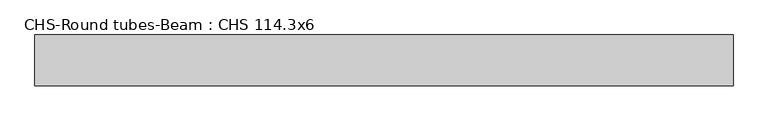
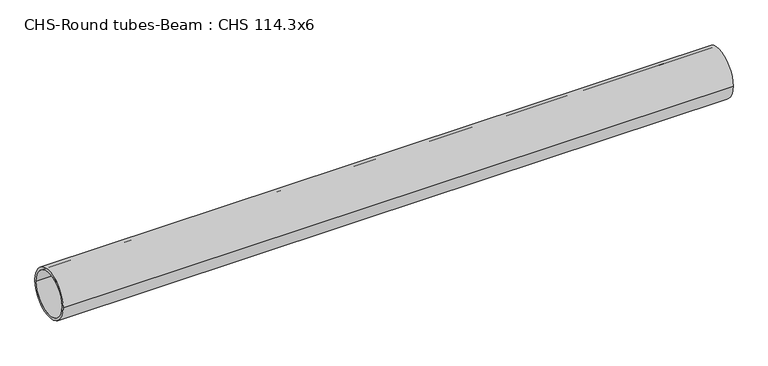
"""IFC4 building model written with IfcOpenShell, lengths in millimetres: beam geometry, CHS-Round tubes-Beam : CHS 114.3x6."""

import ifcopenshell
import ifcopenshell.guid

model = None  # the IFC model being written
_history = None  # IfcOwnerHistory: only IFC2X3 demands one
_inside = {}  # id of a spatial element -> (the spatial element, [elements in it])
_under = {}  # id of a project, library or spatial element -> (it, [spatial elements below it])
_declared = {}  # id of a project -> (the project, [libraries it declares])
_typed = {}  # id of a type object -> (the type object, [elements of that type])
_made_of = {}  # id of a material, layer set ... -> (it, [elements and type objects made of it])


def new_model(schema):
    """Start an empty IFC model of exactly this schema.

    Asked for "IFC4X3", IfcOpenShell would pick the latest addendum, in which some entities
    have other attributes; the version numbers below select the first issue.
    IFC2X3 requires an IfcOwnerHistory on every rooted entity: one is made here for all.
    """
    global model, _history
    if schema == "IFC4X3":
        model = ifcopenshell.file(schema_version=(4, 3, 0, 0))
    else:
        model = ifcopenshell.file(schema=schema)
    _inside.clear()
    _under.clear()
    _declared.clear()
    _typed.clear()
    _made_of.clear()
    _history = None
    if model.schema == "IFC2X3":
        org = make("IfcOrganization", Name="unknown")
        user = make(
            "IfcPersonAndOrganization",
            ThePerson=make("IfcPerson", FamilyName="unknown"),
            TheOrganization=org,
        )
        app = make(
            "IfcApplication",
            ApplicationDeveloper=org,
            Version="unknown",
            ApplicationFullName="unknown",
            ApplicationIdentifier="unknown",
        )
        _history = make(
            "IfcOwnerHistory",
            OwningUser=user,
            OwningApplication=app,
            ChangeAction="ADDED",
            CreationDate=0,
        )
    return model


def make(cls, **values):
    """One entity of the class cls with the attributes given. An attribute that is None is left unset."""
    return model.create_entity(
        cls, **{name: value for name, value in values.items() if value is not None}
    )


def rooted(cls, **values):
    """An entity with a GlobalId (a new one), such as an element, a storey or a relation."""
    return make(cls, GlobalId=ifcopenshell.guid.new(), OwnerHistory=_history, **values)


def si_unit(unit_type, name, prefix=None):
    """IfcSIUnit, for example si_unit("LENGTHUNIT", "METRE", prefix="MILLI")."""
    return make("IfcSIUnit", UnitType=unit_type, Prefix=prefix, Name=name)


def assignment(units):
    """IfcUnitAssignment: the units of a project."""
    return None if units is None else make("IfcUnitAssignment", Units=units)


def point(xyz):
    """IfcCartesianPoint."""
    return None if xyz is None else make("IfcCartesianPoint", Coordinates=xyz)


def direction(xyz):
    """IfcDirection."""
    return None if xyz is None else make("IfcDirection", DirectionRatios=xyz)


def frame(location, z_axis=None, x_axis=None):
    """IfcAxis2Placement3D, a coordinate frame: its origin and axes. An axis left out is left unset."""
    return make(
        "IfcAxis2Placement3D",
        Location=point(location),
        Axis=direction(z_axis),
        RefDirection=direction(x_axis),
    )


def frame_2d(location, x_axis=None):
    """IfcAxis2Placement2D, a coordinate frame in the plane: its origin and x axis."""
    return make(
        "IfcAxis2Placement2D", Location=point(location), RefDirection=direction(x_axis)
    )


def origin():
    """The frame at (0, 0, 0) with its axes left unset."""
    return frame((0.0, 0.0, 0.0))


def origin_2d():
    """The frame at (0, 0) in the plane with its x axis left unset."""
    return frame_2d((0.0, 0.0))


def place(relative_to, where):
    """IfcLocalPlacement: puts the frame where relative to a parent placement (None: the world)."""
    return make(
        "IfcLocalPlacement", PlacementRelTo=relative_to, RelativePlacement=where
    )


def context(
    kind, dimensions, precision=None, world=None, true_north=None, identifier=None
):
    """IfcGeometricRepresentationContext, for example the 3D "Model" context."""
    return make(
        "IfcGeometricRepresentationContext",
        ContextIdentifier=identifier,
        ContextType=kind,
        CoordinateSpaceDimension=dimensions,
        Precision=precision,
        WorldCoordinateSystem=world,
        TrueNorth=true_north,
    )


def project(units=None, contexts=None):
    """IfcProject with its units and contexts."""
    return rooted(
        "IfcProject",
        Name="project",
        RepresentationContexts=contexts,
        UnitsInContext=assignment(units),
    )


def spatial(cls, under=None, at=None, **own):
    """A site, building, storey or space (cls), placed at a placement, below another one or the project."""
    s = rooted(cls, ObjectPlacement=at, **own)
    if under is not None:
        _under.setdefault(under.id(), (under, []))[1].append(s)
    return s


def circle_curve(where, radius):
    """IfcCircle in the frame where."""
    return make("IfcCircle", Position=where, Radius=radius)


def trimmed(basis, trim1, trim2, sense, master):
    """IfcTrimmedCurve: the piece of a basis curve between two trims."""
    return make(
        "IfcTrimmedCurve",
        BasisCurve=basis,
        Trim1=trim1,
        Trim2=trim2,
        SenseAgreement=sense,
        MasterRepresentation=master,
    )


def segment(curve, same_sense, transition):
    """IfcCompositeCurveSegment."""
    return make(
        "IfcCompositeCurveSegment",
        Transition=transition,
        SameSense=same_sense,
        ParentCurve=curve,
    )


def composite_curve(segments, self_intersect=None):
    """IfcCompositeCurve: segments joined end to end."""
    return make("IfcCompositeCurve", Segments=segments, SelfIntersect=self_intersect)


def outline(outer, holes=None, kind="AREA"):
    """IfcArbitraryClosedProfileDef: a profile drawn as a closed curve; with holes, ...WithVoids."""
    if holes is None:
        return make("IfcArbitraryClosedProfileDef", ProfileType=kind, OuterCurve=outer)
    return make(
        "IfcArbitraryProfileDefWithVoids",
        ProfileType=kind,
        OuterCurve=outer,
        InnerCurves=holes,
    )


def extrude(swept, where, along, depth):
    """IfcExtrudedAreaSolid: the profile swept, set in the frame where, extruded along a direction by depth."""
    return make(
        "IfcExtrudedAreaSolid",
        SweptArea=swept,
        Position=where,
        ExtrudedDirection=direction(along),
        Depth=depth,
    )


def shape(context_of_items, identifier, shape_type, items):
    """IfcShapeRepresentation: the items that make up one representation, for example the "Body"."""
    return make(
        "IfcShapeRepresentation",
        ContextOfItems=context_of_items,
        RepresentationIdentifier=identifier,
        RepresentationType=shape_type,
        Items=items,
    )


def source(mapping_origin, context_of_items, identifier, shape_type, items):
    """IfcRepresentationMap: a shape defined once, which mapped items show again and again."""
    return make(
        "IfcRepresentationMap",
        MappingOrigin=mapping_origin,
        MappedRepresentation=shape(context_of_items, identifier, shape_type, items),
    )


def transform(
    local_origin,
    x_axis=None,
    y_axis=None,
    z_axis=None,
    scale=None,
    scale2=None,
    scale3=None,
    uniform=True,
):
    """IfcCartesianTransformationOperator3D, or its non-uniform kind. x_axis, y_axis, z_axis: its Axis1, 2, 3."""
    if uniform:
        return make(
            "IfcCartesianTransformationOperator3D",
            Axis1=direction(x_axis),
            Axis2=direction(y_axis),
            LocalOrigin=point(local_origin),
            Scale=scale,
            Axis3=direction(z_axis),
        )
    return make(
        "IfcCartesianTransformationOperator3DnonUniform",
        Axis1=direction(x_axis),
        Axis2=direction(y_axis),
        LocalOrigin=point(local_origin),
        Scale=scale,
        Axis3=direction(z_axis),
        Scale2=scale2,
        Scale3=scale3,
    )


def mapped(mapping_source, mapping_target):
    """IfcMappedItem: shows the shape of a source again, moved by a transform."""
    return make(
        "IfcMappedItem", MappingSource=mapping_source, MappingTarget=mapping_target
    )


def made_of(thing, what):
    """Note that an element or type object is made of a material, layer set ...; save() writes the relation."""
    if what is not None:
        _made_of.setdefault(what.id(), (what, []))[1].append(thing)
    return thing


def element(
    cls,
    number,
    at=None,
    inside=None,
    cuts=None,
    type_object=None,
    material=None,
    context=None,
    identifier="Body",
    shape_type=None,
    held_by="IfcProductDefinitionShape",
    body=None,
    shapes=None,
    **own,
):
    """One element of the class cls, such as IfcWall. Its Tag is "e" and its number.

    at: its placement. inside: the storey or other place that contains it. cuts: it is an
    opening in that element (IfcRelVoidsElement). A single representation is given by context,
    identifier, shape_type and body (its items); several are given by shapes. held_by: the class
    of the entity that holds the representations. save() writes the other relations.
    """
    e = rooted(cls, Tag="e%d" % number, ObjectPlacement=at, **own)
    if body is not None:
        shapes = [shape(context, identifier, shape_type, body)]
    if shapes is not None:
        e.Representation = make(held_by, Representations=shapes)
    if inside is not None:
        _inside.setdefault(inside.id(), (inside, []))[1].append(e)
    if cuts is not None:
        rooted(
            "IfcRelVoidsElement", RelatingBuildingElement=cuts, RelatedOpeningElement=e
        )
    if type_object is not None:
        _typed.setdefault(type_object.id(), (type_object, []))[1].append(e)
    return made_of(e, material)


def aggregate(whole, parts):
    """IfcRelAggregates: a whole, such as a stair, and the parts it consists of."""
    return rooted("IfcRelAggregates", RelatingObject=whole, RelatedObjects=parts)


def save(model, path):
    """Write the relations noted so far, then the file.

    IfcRelAggregates (storeys below a building ...), IfcRelContainedInSpatialStructure (elements
    in a storey), IfcRelDefinesByType, IfcRelAssociatesMaterial and IfcRelDeclares: one each for
    every whole, place, type object, material and project.
    """
    for whole, parts in _under.values():
        aggregate(whole, parts)
    for where, things in _inside.values():
        rooted(
            "IfcRelContainedInSpatialStructure",
            RelatedElements=things,
            RelatingStructure=where,
        )
    for kind, things in _typed.values():
        rooted("IfcRelDefinesByType", RelatedObjects=things, RelatingType=kind)
    for what, things in _made_of.values():
        rooted("IfcRelAssociatesMaterial", RelatedObjects=things, RelatingMaterial=what)
    for by, libraries in _declared.values():
        rooted("IfcRelDeclares", RelatingContext=by, RelatedDefinitions=libraries)
    model.write(path)


def chs_round_tubes_beam_chs_114_3x6_6d14c6bf(model_context):
    return source(origin(), model_context, "Body", "SweptSolid", [
        extrude(outline(composite_curve([segment(trimmed(circle_curve(origin_2d(), 57.15), [point((57.15, 0.0))], [point((-57.15, 0.0))], False, "CARTESIAN"), True, "CONTINUOUS"), segment(trimmed(circle_curve(origin_2d(), 57.15), [point((-57.15, 0.0))], [point((57.15, 0.0))], False, "CARTESIAN"), True, "CONTINUOUS")], self_intersect=False), holes=[composite_curve([segment(trimmed(circle_curve(origin_2d(), 51.15), [point((51.15, 0.0))], [point((-51.15, 0.0))], True, "CARTESIAN"), True, "CONTINUOUS"), segment(trimmed(circle_curve(origin_2d(), 51.15), [point((-51.15, 0.0))], [point((51.15, 0.0))], True, "CARTESIAN"), True, "CONTINUOUS")], self_intersect=False)]), frame((-777.0282728, 0.0, 0.0), z_axis=(1.0, 0.0, 0.0), x_axis=(0.0, 1.0, 0.0)), (0.0, 0.0, 1.0), 1565.6080607),
    ])


if __name__ == "__main__":
    model = new_model("IFC4")
    model_context = context("Model", 3, world=origin())
    ifc_project = project(units=[si_unit("LENGTHUNIT", "METRE", prefix="MILLI")], contexts=[model_context])
    site = spatial("IfcSite", under=ifc_project)
    building = spatial("IfcBuilding", under=site)
    placement = place(None, origin())
    chs_round_tubes_beam_chs_114_3x6_shape = chs_round_tubes_beam_chs_114_3x6_6d14c6bf(model_context)
    element("IfcBeam", 1, ObjectType="CHS-Round tubes-Beam : CHS 114.3x6", at=placement, inside=building, context=model_context, shape_type="MappedRepresentation", body=[
        mapped(chs_round_tubes_beam_chs_114_3x6_shape, transform((0.0, 0.0, 0.0), x_axis=(1.0, 0.0, 0.0), y_axis=(0.0, 1.0, 0.0), z_axis=(0.0, 0.0, 1.0))),
    ])
    save(model, "model.ifc")
